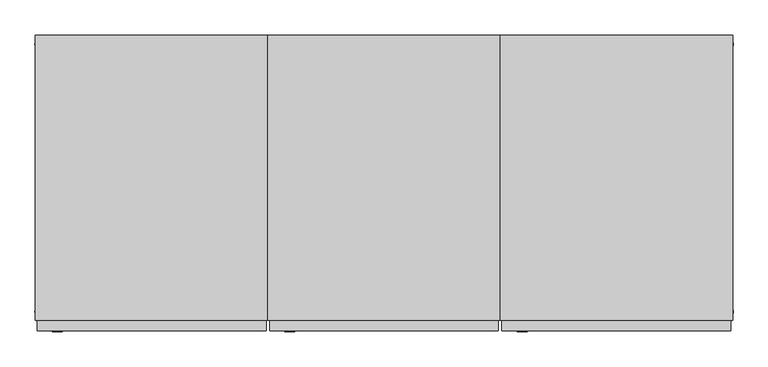
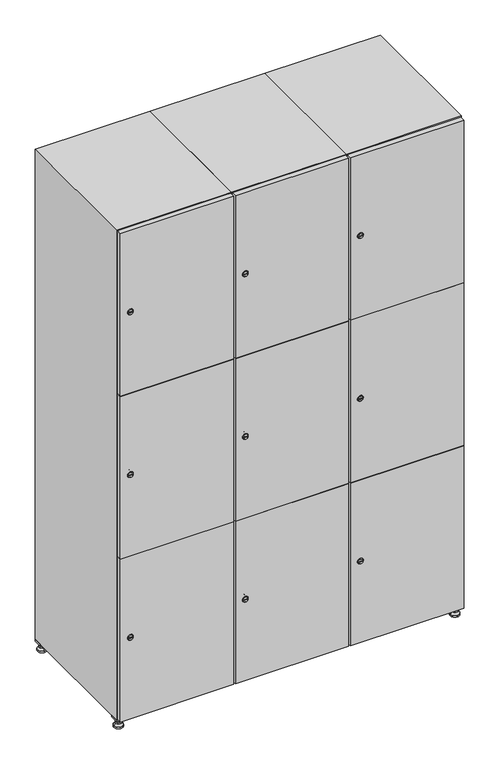
"""IFC4 building model written with IfcOpenShell, lengths in millimetres: furniture geometry."""

from ifc_helpers import new_model, si_unit, point, frame, frame_2d, origin, origin_with_axes, place, context, project, spatial, polyline, circle_curve, trimmed, segment, composite_curve, outline, extrude, faceted_brep, source, transform, mapped, element, save
from ifc_brep_helpers import plane_surface, revolved_surface, advanced_brep


def furniture_08756a5b(model_context):
    return source(origin(), model_context, "Body", "SolidModel", [
        extrude(outline(polyline([(1000.0, 245.0), (1000.0, 215.0), (970.0, 215.0), (970.0, 245.0), (1000.0, 245.0)]), holes=[polyline([(998.0, 243.0), (972.0, 243.0), (972.0, 217.0), (998.0, 217.0), (998.0, 243.0)])]), frame((0.0, 0.0, 28.5), z_axis=(0.0, 0.0, 1.0), x_axis=(1.0, 0.0, 0.0)), (0.0, 0.0, 1.0), 6.5),
        extrude(outline(polyline([(970.0, -245.0), (970.0, -215.0), (1000.0, -215.0), (1000.0, -245.0), (970.0, -245.0)]), holes=[polyline([(972.0, -243.0), (998.0, -243.0), (998.0, -217.0), (972.0, -217.0), (972.0, -243.0)])]), frame((0.0, 0.0, 28.5), z_axis=(0.0, 0.0, 1.0), x_axis=(1.0, 0.0, 0.0)), (0.0, 0.0, 1.0), 6.5),
        extrude(outline(polyline([(-170.0, 245.0), (-170.0, 215.0), (-200.0, 215.0), (-200.0, 245.0), (-170.0, 245.0)]), holes=[polyline([(-172.0, 243.0), (-198.0, 243.0), (-198.0, 217.0), (-172.0, 217.0), (-172.0, 243.0)])]), frame((0.0, 0.0, 28.5), z_axis=(0.0, 0.0, 1.0), x_axis=(1.0, 0.0, 0.0)), (0.0, 0.0, 1.0), 6.5),
        extrude(outline(polyline([(-170.0, -215.0), (-170.0, -245.0), (-200.0, -245.0), (-200.0, -215.0), (-170.0, -215.0)]), holes=[polyline([(-198.0, -243.0), (-172.0, -243.0), (-172.0, -217.0), (-198.0, -217.0), (-198.0, -243.0)])]), frame((0.0, 0.0, 28.5), z_axis=(0.0, 0.0, 1.0), x_axis=(1.0, 0.0, 0.0)), (0.0, 0.0, 1.0), 6.5),
        extrude(outline(composite_curve([segment(trimmed(circle_curve(frame_2d((-185.0, 230.0)), 5.0), [point((-180.0, 230.0))], [point((-190.0, 230.0))], False, "CARTESIAN"), True, "CONTINUOUS"), segment(trimmed(circle_curve(frame_2d((-185.0, 230.0)), 5.0), [point((-190.0, 230.0))], [point((-180.0, 230.0))], False, "CARTESIAN"), True, "CONTINUOUS")], self_intersect=False)), frame((0.0, 0.0, 19.6), z_axis=(0.0, 0.0, 1.0), x_axis=(1.0, 0.0, 0.0)), (0.0, 0.0, 1.0), 15.4),
        extrude(outline(composite_curve([segment(trimmed(circle_curve(frame_2d((-185.0, -230.0)), 5.0), [point((-180.0, -230.0))], [point((-190.0, -230.0))], False, "CARTESIAN"), True, "CONTINUOUS"), segment(trimmed(circle_curve(frame_2d((-185.0, -230.0)), 5.0), [point((-190.0, -230.0))], [point((-180.0, -230.0))], False, "CARTESIAN"), True, "CONTINUOUS")], self_intersect=False)), frame((0.0, 0.0, 19.6), z_axis=(0.0, 0.0, 1.0), x_axis=(1.0, 0.0, 0.0)), (0.0, 0.0, 1.0), 15.4),
        extrude(outline(composite_curve([segment(trimmed(circle_curve(frame_2d((985.0, 230.0)), 5.0), [point((990.0, 230.0))], [point((980.0, 230.0))], False, "CARTESIAN"), True, "CONTINUOUS"), segment(trimmed(circle_curve(frame_2d((985.0, 230.0)), 5.0), [point((980.0, 230.0))], [point((990.0, 230.0))], False, "CARTESIAN"), True, "CONTINUOUS")], self_intersect=False)), frame((0.0, 0.0, 19.6), z_axis=(0.0, 0.0, 1.0), x_axis=(1.0, 0.0, 0.0)), (0.0, 0.0, 1.0), 15.4),
        extrude(outline(polyline([(973.4529946, 230.0), (979.2264973, 240.0), (990.7735027, 240.0), (996.5470054, 230.0), (990.7735027, 220.0), (979.2264973, 220.0), (973.4529946, 230.0)])), frame((0.0, 0.0, 13.6), z_axis=(0.0, 0.0, 1.0), x_axis=(1.0, 0.0, 0.0)), (0.0, 0.0, 1.0), 6.0),
        extrude(outline(composite_curve([segment(trimmed(circle_curve(frame_2d((985.0, -230.0)), 5.0), [point((990.0, -230.0))], [point((980.0, -230.0))], False, "CARTESIAN"), True, "CONTINUOUS"), segment(trimmed(circle_curve(frame_2d((985.0, -230.0)), 5.0), [point((980.0, -230.0))], [point((990.0, -230.0))], False, "CARTESIAN"), True, "CONTINUOUS")], self_intersect=False)), frame((0.0, 0.0, 19.6), z_axis=(0.0, 0.0, 1.0), x_axis=(1.0, 0.0, 0.0)), (0.0, 0.0, 1.0), 15.4),
        extrude(outline(polyline([(973.4529946, -230.0), (979.2264973, -220.0), (990.7735027, -220.0), (996.5470054, -230.0), (990.7735027, -240.0), (979.2264973, -240.0), (973.4529946, -230.0)])), frame((0.0, 0.0, 13.6), z_axis=(0.0, 0.0, 1.0), x_axis=(1.0, 0.0, 0.0)), (0.0, 0.0, 1.0), 6.0),
        extrude(outline(composite_curve([segment(trimmed(circle_curve(frame_2d((985.0, 230.0)), 5.0), [point((990.0, 230.0))], [point((980.0, 230.0))], False, "CARTESIAN"), True, "CONTINUOUS"), segment(trimmed(circle_curve(frame_2d((985.0, 230.0)), 5.0), [point((980.0, 230.0))], [point((990.0, 230.0))], False, "CARTESIAN"), True, "CONTINUOUS")], self_intersect=False)), frame((0.0, 0.0, 12.1), z_axis=(0.0, 0.0, 1.0), x_axis=(1.0, 0.0, 0.0)), (0.0, 0.0, 1.0), 1.5),
        extrude(outline(composite_curve([segment(trimmed(circle_curve(frame_2d((985.0, -230.0)), 5.0), [point((990.0, -230.0))], [point((980.0, -230.0))], False, "CARTESIAN"), True, "CONTINUOUS"), segment(trimmed(circle_curve(frame_2d((985.0, -230.0)), 5.0), [point((980.0, -230.0))], [point((990.0, -230.0))], False, "CARTESIAN"), True, "CONTINUOUS")], self_intersect=False)), frame((0.0, 0.0, 12.1), z_axis=(0.0, 0.0, 1.0), x_axis=(1.0, 0.0, 0.0)), (0.0, 0.0, 1.0), 1.5),
        extrude(outline(polyline([(-196.5470054, 230.0), (-190.7735027, 240.0), (-179.2264973, 240.0), (-173.4529946, 230.0), (-179.2264973, 220.0), (-190.7735027, 220.0), (-196.5470054, 230.0)])), frame((0.0, 0.0, 13.6), z_axis=(0.0, 0.0, 1.0), x_axis=(1.0, 0.0, 0.0)), (0.0, 0.0, 1.0), 6.0),
        extrude(outline(polyline([(-196.5470054, -230.0), (-190.7735027, -220.0), (-179.2264973, -220.0), (-173.4529946, -230.0), (-179.2264973, -240.0), (-190.7735027, -240.0), (-196.5470054, -230.0)])), frame((0.0, 0.0, 13.6), z_axis=(0.0, 0.0, 1.0), x_axis=(1.0, 0.0, 0.0)), (0.0, 0.0, 1.0), 6.0),
        extrude(outline(composite_curve([segment(trimmed(circle_curve(frame_2d((-185.0, 230.0)), 5.0), [point((-185.0, 235.0))], [point((-185.0, 225.0))], False, "CARTESIAN"), True, "CONTINUOUS"), segment(trimmed(circle_curve(frame_2d((-185.0, 230.0)), 5.0), [point((-185.0, 225.0))], [point((-185.0, 235.0))], False, "CARTESIAN"), True, "CONTINUOUS")], self_intersect=False)), frame((0.0, 0.0, 12.1), z_axis=(0.0, 0.0, 1.0), x_axis=(1.0, 0.0, 0.0)), (0.0, 0.0, 1.0), 1.5),
        extrude(outline(composite_curve([segment(trimmed(circle_curve(frame_2d((-185.0, -230.0)), 5.0), [point((-180.0, -230.0))], [point((-190.0, -230.0))], False, "CARTESIAN"), True, "CONTINUOUS"), segment(trimmed(circle_curve(frame_2d((-185.0, -230.0)), 5.0), [point((-190.0, -230.0))], [point((-180.0, -230.0))], False, "CARTESIAN"), True, "CONTINUOUS")], self_intersect=False)), frame((0.0, 0.0, 12.1), z_axis=(0.0, 0.0, 1.0), x_axis=(1.0, 0.0, 0.0)), (0.0, 0.0, 1.0), 1.5),
        extrude(outline(composite_curve([segment(trimmed(circle_curve(frame_2d((985.0, 230.0)), 15.75), [point((1000.75, 230.0))], [point((969.25, 230.0))], False, "CARTESIAN"), True, "CONTINUOUS"), segment(trimmed(circle_curve(frame_2d((985.0, 230.0)), 15.75), [point((969.25, 230.0))], [point((1000.75, 230.0))], False, "CARTESIAN"), True, "CONTINUOUS")], self_intersect=False)), origin_with_axes(), (0.0, 0.0, 1.0), 5.1),
        extrude(outline(composite_curve([segment(trimmed(circle_curve(frame_2d((985.0, -230.0)), 15.75), [point((985.0, -214.25))], [point((985.0, -245.75))], False, "CARTESIAN"), True, "CONTINUOUS"), segment(trimmed(circle_curve(frame_2d((985.0, -230.0)), 15.75), [point((985.0, -245.75))], [point((985.0, -214.25))], False, "CARTESIAN"), True, "CONTINUOUS")], self_intersect=False)), origin_with_axes(), (0.0, 0.0, 1.0), 5.1),
        extrude(outline(composite_curve([segment(trimmed(circle_curve(frame_2d((-185.0, -230.0)), 15.75), [point((-169.25, -230.0))], [point((-200.75, -230.0))], False, "CARTESIAN"), True, "CONTINUOUS"), segment(trimmed(circle_curve(frame_2d((-185.0, -230.0)), 15.75), [point((-200.75, -230.0))], [point((-169.25, -230.0))], False, "CARTESIAN"), True, "CONTINUOUS")], self_intersect=False)), origin_with_axes(), (0.0, 0.0, 1.0), 5.1),
        extrude(outline(composite_curve([segment(trimmed(circle_curve(frame_2d((-185.0, 230.0)), 15.75), [point((-169.25, 230.0))], [point((-200.75, 230.0))], False, "CARTESIAN"), True, "CONTINUOUS"), segment(trimmed(circle_curve(frame_2d((-185.0, 230.0)), 15.75), [point((-200.75, 230.0))], [point((-169.25, 230.0))], False, "CARTESIAN"), True, "CONTINUOUS")], self_intersect=False)), origin_with_axes(), (0.0, 0.0, 1.0), 5.1),
        advanced_brep(
        [(-185.0, 239.5, 12.1), (-185.0, 220.5, 12.1), (-185.0, 214.25, 5.1), (-185.0, 245.75, 5.1)],
        [
            (0, 1, circle_curve(frame((-185.0, 230.0, 12.1), z_axis=(0.0, 0.0, -1.0), x_axis=(0.0, 1.0, 0.0)), 9.5)),
            (1, 2),
            (2, 3, circle_curve(frame((-185.0, 230.0, 5.1), z_axis=(0.0, 0.0, 1.0), x_axis=(0.0, 1.0, 0.0)), 15.75)),
            (3, 0),
            (1, 0, circle_curve(frame((-185.0, 230.0, 12.1), z_axis=(0.0, 0.0, -1.0), x_axis=(0.0, -1.0, 0.0)), 9.5)),
            (3, 2, circle_curve(frame((-185.0, 230.0, 5.1), z_axis=(0.0, 0.0, 1.0), x_axis=(0.0, -1.0, 0.0)), 15.75)),
        ],
        [
            revolved_surface(polyline([(-185.0, 220.5, 12.099999999999998), (-185.0, 214.25, 5.099999999999998)]), (-185.0, 230.0, 22.74), (0.0, 0.0, -1.0)),
            revolved_surface(polyline([(-185.0, 239.5, 12.099999999999998), (-185.0, 245.75, 5.099999999999998)]), (-185.0, 230.0, 22.74), (0.0, 0.0, -1.0)),
            plane_surface(frame((-185.0, 230.0, 5.1), z_axis=(0.0, 0.0, -1.0), x_axis=(1.0, 0.0, 0.0))),
            plane_surface(frame((-185.0, 230.0, 12.1), z_axis=(0.0, 0.0, 1.0), x_axis=(1.0, 0.0, 0.0))),
        ],
        [
            (0, [[1, 2, 3, 4]]),
            (1, [[5, -4, 6, -2]]),
            (2, [[-3, -6]]),
            (3, [[-5, -1]]),
        ],
    ),
        advanced_brep(
        [(985.0, 239.5, 12.1), (985.0, 220.5, 12.1), (985.0, 214.25, 5.1), (985.0, 245.75, 5.1)],
        [
            (0, 1, circle_curve(frame((985.0, 230.0, 12.1), z_axis=(0.0, 0.0, -1.0), x_axis=(0.0, 1.0, 0.0)), 9.5)),
            (1, 2),
            (2, 3, circle_curve(frame((985.0, 230.0, 5.1), z_axis=(0.0, 0.0, 1.0), x_axis=(0.0, 1.0, 0.0)), 15.75)),
            (3, 0),
            (1, 0, circle_curve(frame((985.0, 230.0, 12.1), z_axis=(0.0, 0.0, -1.0), x_axis=(0.0, -1.0, 0.0)), 9.5)),
            (3, 2, circle_curve(frame((985.0, 230.0, 5.1), z_axis=(0.0, 0.0, 1.0), x_axis=(0.0, -1.0, 0.0)), 15.75)),
        ],
        [
            revolved_surface(polyline([(985.0, 220.5, 12.099999999999998), (985.0, 214.25, 5.099999999999998)]), (985.0, 230.0, 22.74), (0.0, 0.0, -1.0)),
            revolved_surface(polyline([(985.0, 239.5, 12.099999999999998), (985.0, 245.75, 5.099999999999998)]), (985.0, 230.0, 22.74), (0.0, 0.0, -1.0)),
            plane_surface(frame((985.0, 230.0, 5.1), z_axis=(0.0, 0.0, -1.0), x_axis=(1.0, 0.0, 0.0))),
            plane_surface(frame((985.0, 230.0, 12.1), z_axis=(0.0, 0.0, 1.0), x_axis=(1.0, 0.0, 0.0))),
        ],
        [
            (0, [[1, 2, 3, 4]]),
            (1, [[5, -4, 6, -2]]),
            (2, [[-3, -6]]),
            (3, [[-5, -1]]),
        ],
    ),
        advanced_brep(
        [(1000.75, -230.0, 5.1), (969.25, -230.0, 5.1), (975.5, -230.0, 12.1), (994.5, -230.0, 12.1)],
        [
            (0, 1, circle_curve(frame((985.0, -230.0, 5.1), z_axis=(0.0, 0.0, 1.0), x_axis=(1.0, 0.0, 0.0)), 15.75)),
            (1, 2),
            (2, 3, circle_curve(frame((985.0, -230.0, 12.1), z_axis=(0.0, 0.0, -1.0), x_axis=(1.0, 0.0, 0.0)), 9.5)),
            (3, 0),
            (1, 0, circle_curve(frame((985.0, -230.0, 5.1), z_axis=(0.0, 0.0, 1.0), x_axis=(-1.0, 0.0, 0.0)), 15.75)),
            (3, 2, circle_curve(frame((985.0, -230.0, 12.1), z_axis=(0.0, 0.0, -1.0), x_axis=(-1.0, 0.0, 0.0)), 9.5)),
        ],
        [
            revolved_surface(polyline([(994.5, -230.0, 12.099999999999998), (1000.75, -230.0, 5.099999999999998)]), (985.0, -230.0, 22.74), (0.0, 0.0, -1.0)),
            revolved_surface(polyline([(975.5, -230.0, 12.099999999999998), (969.25, -230.0, 5.099999999999998)]), (985.0, -230.0, 22.74), (0.0, 0.0, -1.0)),
            plane_surface(frame((985.0, -230.0, 12.1), z_axis=(0.0, 0.0, 1.0), x_axis=(0.0, 1.0, 0.0))),
            plane_surface(frame((985.0, -230.0, 5.1), z_axis=(0.0, 0.0, -1.0), x_axis=(0.0, 1.0, 0.0))),
        ],
        [
            (0, [[1, 2, 3, 4]]),
            (1, [[5, -4, 6, -2]]),
            (2, [[-3, -6]]),
            (3, [[-5, -1]]),
        ],
    ),
        advanced_brep(
        [(-169.25, -230.0, 5.1), (-200.75, -230.0, 5.1), (-194.5, -230.0, 12.1), (-175.5, -230.0, 12.1)],
        [
            (0, 1, circle_curve(frame((-185.0, -230.0, 5.1), z_axis=(0.0, 0.0, 1.0), x_axis=(1.0, 0.0, 0.0)), 15.75)),
            (1, 2),
            (2, 3, circle_curve(frame((-185.0, -230.0, 12.1), z_axis=(0.0, 0.0, -1.0), x_axis=(1.0, 0.0, 0.0)), 9.5)),
            (3, 0),
            (1, 0, circle_curve(frame((-185.0, -230.0, 5.1), z_axis=(0.0, 0.0, 1.0), x_axis=(-1.0, 0.0, 0.0)), 15.75)),
            (3, 2, circle_curve(frame((-185.0, -230.0, 12.1), z_axis=(0.0, 0.0, -1.0), x_axis=(-1.0, 0.0, 0.0)), 9.5)),
        ],
        [
            revolved_surface(polyline([(-175.5, -230.0, 12.099999999999998), (-169.25, -230.0, 5.099999999999998)]), (-185.0, -230.0, 22.74), (0.0, 0.0, -1.0)),
            revolved_surface(polyline([(-194.5, -230.0, 12.099999999999998), (-200.75, -230.0, 5.099999999999998)]), (-185.0, -230.0, 22.74), (0.0, 0.0, -1.0)),
            plane_surface(frame((-185.0, -230.0, 12.1), z_axis=(0.0, 0.0, 1.0), x_axis=(0.0, 1.0, 0.0))),
            plane_surface(frame((-185.0, -230.0, 5.1), z_axis=(0.0, 0.0, -1.0), x_axis=(0.0, 1.0, 0.0))),
        ],
        [
            (0, [[1, 2, 3, 4]]),
            (1, [[5, -4, 6, -2]]),
            (2, [[-3, -6]]),
            (3, [[-5, -1]]),
        ],
    ),
        extrude(outline(composite_curve([segment(trimmed(circle_curve(frame_2d((337.0, 611.2010534)), 7.0), [point((344.0, 611.2010534))], [point((330.0, 611.2010534))], False, "CARTESIAN"), True, "CONTINUOUS"), segment(polyline([(330.0, 611.2010534), (330.0, 639.2010534)]), True, "CONTINUOUS"), segment(trimmed(circle_curve(frame_2d((337.0, 639.2010534)), 7.0), [point((330.0, 639.2010534))], [point((344.0, 639.2010534))], False, "CARTESIAN"), True, "CONTINUOUS"), segment(polyline([(344.0, 639.2010534), (344.0, 611.2010534)]), True, "CONTINUOUS")], self_intersect=False)), frame((0.0, -245.0, 0.0), z_axis=(0.0, 1.0, 0.0), x_axis=(0.0, 0.0, 1.0)), (0.0, 0.0, 1.0), 2.0),
        advanced_brep(
        [(646.5, -265.2, 337.0), (629.5, -265.2, 337.0), (633.0, -265.2, 335.75), (633.0, -265.2, 338.25), (643.0, -265.2, 338.25), (643.0, -265.2, 335.75), (648.5, -263.0, 337.0), (627.5, -263.0, 337.0), (633.0, -263.0, 338.25), (633.0, -263.0, 335.75), (643.0, -263.0, 335.75), (643.0, -263.0, 338.25)],
        [
            (0, 1, circle_curve(frame((638.0, -265.2, 337.0), z_axis=(0.0, -1.0, 0.0), x_axis=(1.0, 0.0, 0.0)), 8.5)),
            (1, 0, circle_curve(frame((638.0, -265.2, 337.0), z_axis=(0.0, -1.0, 0.0), x_axis=(-1.0, 0.0, 0.0)), 8.5)),
            (2, 3),
            (3, 4),
            (4, 5),
            (5, 2),
            (6, 7, circle_curve(frame((638.0, -263.0, 337.0), z_axis=(0.0, 1.0, 0.0), x_axis=(-1.0, 0.0, 0.0)), 10.5)),
            (7, 6, circle_curve(frame((638.0, -263.0, 337.0), z_axis=(0.0, 1.0, 0.0), x_axis=(1.0, 0.0, 0.0)), 10.5)),
            (8, 9),
            (9, 10),
            (10, 11),
            (11, 8),
            (0, 6),
            (7, 1),
            (8, 3),
            (2, 9),
            (11, 4),
            (10, 5),
        ],
        [
            plane_surface(frame((638.0, -265.2, 337.0), z_axis=(0.0, -1.0, 0.0), x_axis=(0.0, 0.0, 1.0))),
            plane_surface(frame((638.0, -263.0, 337.0), z_axis=(0.0, 1.0, 0.0), x_axis=(0.0, 0.0, 1.0))),
            revolved_surface(polyline([(646.5, -265.2, 337.0), (648.5, -263.0, 337.0)]), (638.0, -274.55, 337.0), (0.0, 1.0, 0.0)),
            revolved_surface(polyline([(629.5, -265.2, 337.0), (627.5, -263.0, 337.0)]), (638.0, -274.55, 337.0), (0.0, 1.0, 0.0)),
            plane_surface(frame((633.0, -263.0, 335.75), z_axis=(1.0, 0.0, 0.0), x_axis=(0.0, -1.0, 0.0))),
            plane_surface(frame((633.0, -263.0, 338.25), z_axis=(0.0, 0.0, -1.0), x_axis=(0.0, -1.0, 0.0))),
            plane_surface(frame((643.0, -263.0, 338.25), z_axis=(-1.0, 0.0, 0.0), x_axis=(0.0, -1.0, 0.0))),
            plane_surface(frame((643.0, -263.0, 335.75), z_axis=(0.0, 0.0, 1.0), x_axis=(0.0, -1.0, 0.0))),
        ],
        [
            (0, [[1, 2], [3, 4, 5, 6]]),
            (1, [[7, 8], [9, 10, 11, 12]]),
            (2, [[-1, 13, -8, 14]]),
            (3, [[-2, -14, -7, -13]]),
            (4, [[15, -3, 16, -9]]),
            (5, [[-15, -12, 17, -4]]),
            (6, [[-17, -11, 18, -5]]),
            (7, [[-16, -6, -18, -10]]),
        ],
    ),
        extrude(outline(composite_curve([segment(trimmed(circle_curve(frame_2d((935.0, 611.2010534)), 7.0), [point((942.0, 611.2010534))], [point((928.0, 611.2010534))], False, "CARTESIAN"), True, "CONTINUOUS"), segment(polyline([(928.0, 611.2010534), (928.0, 639.2010534)]), True, "CONTINUOUS"), segment(trimmed(circle_curve(frame_2d((935.0, 639.2010534)), 7.0), [point((928.0, 639.2010534))], [point((942.0, 639.2010534))], False, "CARTESIAN"), True, "CONTINUOUS"), segment(polyline([(942.0, 639.2010534), (942.0, 611.2010534)]), True, "CONTINUOUS")], self_intersect=False)), frame((0.0, -245.0, 0.0), z_axis=(0.0, 1.0, 0.0), x_axis=(0.0, 0.0, 1.0)), (0.0, 0.0, 1.0), 2.0),
        advanced_brep(
        [(646.5, -265.2, 935.0), (629.5, -265.2, 935.0), (633.0, -265.2, 933.75), (633.0, -265.2, 936.25), (643.0, -265.2, 936.25), (643.0, -265.2, 933.75), (648.5, -263.0, 935.0), (627.5, -263.0, 935.0), (633.0, -263.0, 936.25), (633.0, -263.0, 933.75), (643.0, -263.0, 933.75), (643.0, -263.0, 936.25)],
        [
            (0, 1, circle_curve(frame((638.0, -265.2, 935.0), z_axis=(0.0, -1.0, 0.0), x_axis=(1.0, 0.0, 0.0)), 8.5)),
            (1, 0, circle_curve(frame((638.0, -265.2, 935.0), z_axis=(0.0, -1.0, 0.0), x_axis=(-1.0, 0.0, 0.0)), 8.5)),
            (2, 3),
            (3, 4),
            (4, 5),
            (5, 2),
            (6, 7, circle_curve(frame((638.0, -263.0, 935.0), z_axis=(0.0, 1.0, 0.0), x_axis=(-1.0, 0.0, 0.0)), 10.5)),
            (7, 6, circle_curve(frame((638.0, -263.0, 935.0), z_axis=(0.0, 1.0, 0.0), x_axis=(1.0, 0.0, 0.0)), 10.5)),
            (8, 9),
            (9, 10),
            (10, 11),
            (11, 8),
            (0, 6),
            (7, 1),
            (8, 3),
            (2, 9),
            (11, 4),
            (10, 5),
        ],
        [
            plane_surface(frame((638.0, -265.2, 935.0), z_axis=(0.0, -1.0, 0.0), x_axis=(0.0, 0.0, 1.0))),
            plane_surface(frame((638.0, -263.0, 935.0), z_axis=(0.0, 1.0, 0.0), x_axis=(0.0, 0.0, 1.0))),
            revolved_surface(polyline([(646.5, -265.2, 935.0), (648.5, -263.0, 935.0)]), (638.0, -274.55, 935.0), (0.0, 1.0, 0.0)),
            revolved_surface(polyline([(629.5, -265.2, 935.0), (627.5, -263.0, 935.0)]), (638.0, -274.55, 935.0), (0.0, 1.0, 0.0)),
            plane_surface(frame((633.0, -263.0, 933.75), z_axis=(1.0, 0.0, 0.0), x_axis=(0.0, -1.0, 0.0))),
            plane_surface(frame((633.0, -263.0, 936.25), z_axis=(0.0, 0.0, -1.0), x_axis=(0.0, -1.0, 0.0))),
            plane_surface(frame((643.0, -263.0, 936.25), z_axis=(-1.0, 0.0, 0.0), x_axis=(0.0, -1.0, 0.0))),
            plane_surface(frame((643.0, -263.0, 933.75), z_axis=(0.0, 0.0, 1.0), x_axis=(0.0, -1.0, 0.0))),
        ],
        [
            (0, [[1, 2], [3, 4, 5, 6]]),
            (1, [[7, 8], [9, 10, 11, 12]]),
            (2, [[-1, 13, -8, 14]]),
            (3, [[-2, -14, -7, -13]]),
            (4, [[15, -3, 16, -9]]),
            (5, [[-15, -12, 17, -4]]),
            (6, [[-17, -11, 18, -5]]),
            (7, [[-16, -6, -18, -10]]),
        ],
    ),
        extrude(outline(composite_curve([segment(trimmed(circle_curve(frame_2d((1533.0, 611.2010534)), 7.0), [point((1540.0, 611.2010534))], [point((1526.0, 611.2010534))], False, "CARTESIAN"), True, "CONTINUOUS"), segment(polyline([(1526.0, 611.2010534), (1526.0, 639.2010534)]), True, "CONTINUOUS"), segment(trimmed(circle_curve(frame_2d((1533.0, 639.2010534)), 7.0), [point((1526.0, 639.2010534))], [point((1540.0, 639.2010534))], False, "CARTESIAN"), True, "CONTINUOUS"), segment(polyline([(1540.0, 639.2010534), (1540.0, 611.2010534)]), True, "CONTINUOUS")], self_intersect=False)), frame((0.0, -245.0, 0.0), z_axis=(0.0, 1.0, 0.0), x_axis=(0.0, 0.0, 1.0)), (0.0, 0.0, 1.0), 2.0),
        advanced_brep(
        [(646.5, -265.2, 1533.0), (629.5, -265.2, 1533.0), (633.0, -265.2, 1531.75), (633.0, -265.2, 1534.25), (643.0, -265.2, 1534.25), (643.0, -265.2, 1531.75), (648.5, -263.0, 1533.0), (627.5, -263.0, 1533.0), (633.0, -263.0, 1534.25), (633.0, -263.0, 1531.75), (643.0, -263.0, 1531.75), (643.0, -263.0, 1534.25)],
        [
            (0, 1, circle_curve(frame((638.0, -265.2, 1533.0), z_axis=(0.0, -1.0, 0.0), x_axis=(1.0, 0.0, 0.0)), 8.5)),
            (1, 0, circle_curve(frame((638.0, -265.2, 1533.0), z_axis=(0.0, -1.0, 0.0), x_axis=(-1.0, 0.0, 0.0)), 8.5)),
            (2, 3),
            (3, 4),
            (4, 5),
            (5, 2),
            (6, 7, circle_curve(frame((638.0, -263.0, 1533.0), z_axis=(0.0, 1.0, 0.0), x_axis=(-1.0, 0.0, 0.0)), 10.5)),
            (7, 6, circle_curve(frame((638.0, -263.0, 1533.0), z_axis=(0.0, 1.0, 0.0), x_axis=(1.0, 0.0, 0.0)), 10.5)),
            (8, 9),
            (9, 10),
            (10, 11),
            (11, 8),
            (0, 6),
            (7, 1),
            (8, 3),
            (2, 9),
            (11, 4),
            (10, 5),
        ],
        [
            plane_surface(frame((638.0, -265.2, 1533.0), z_axis=(0.0, -1.0, 0.0), x_axis=(0.0, 0.0, 1.0))),
            plane_surface(frame((638.0, -263.0, 1533.0), z_axis=(0.0, 1.0, 0.0), x_axis=(0.0, 0.0, 1.0))),
            revolved_surface(polyline([(646.5, -265.2, 1533.0), (648.5, -263.0, 1533.0)]), (638.0, -274.55, 1533.0), (0.0, 1.0, 0.0)),
            revolved_surface(polyline([(629.5, -265.2, 1533.0), (627.5, -263.0, 1533.0)]), (638.0, -274.55, 1533.0), (0.0, 1.0, 0.0)),
            plane_surface(frame((633.0, -263.0, 1531.75), z_axis=(1.0, 0.0, 0.0), x_axis=(0.0, -1.0, 0.0))),
            plane_surface(frame((633.0, -263.0, 1534.25), z_axis=(0.0, 0.0, -1.0), x_axis=(0.0, -1.0, 0.0))),
            plane_surface(frame((643.0, -263.0, 1534.25), z_axis=(-1.0, 0.0, 0.0), x_axis=(0.0, -1.0, 0.0))),
            plane_surface(frame((643.0, -263.0, 1531.75), z_axis=(0.0, 0.0, 1.0), x_axis=(0.0, -1.0, 0.0))),
        ],
        [
            (0, [[1, 2], [3, 4, 5, 6]]),
            (1, [[7, 8], [9, 10, 11, 12]]),
            (2, [[-1, 13, -8, 14]]),
            (3, [[-2, -14, -7, -13]]),
            (4, [[15, -3, 16, -9]]),
            (5, [[-15, -12, 17, -4]]),
            (6, [[-17, -11, 18, -5]]),
            (7, [[-16, -6, -18, -10]]),
        ],
    ),
        extrude(outline(polyline([(997.0, -245.0), (997.0, -263.0), (603.0, -263.0), (603.0, -245.0), (997.0, -245.0)])), frame((0.0, 0.0, 636.5), z_axis=(0.0, 0.0, 1.0), x_axis=(1.0, 0.0, 0.0)), (0.0, 0.0, 1.0), 597.0),
        extrude(outline(polyline([(603.0, -263.0), (603.0, -245.0), (997.0, -245.0), (997.0, -263.0), (603.0, -263.0)])), frame((0.0, 0.0, 1234.5), z_axis=(0.0, 0.0, 1.0), x_axis=(1.0, 0.0, 0.0)), (0.0, 0.0, 1.0), 597.5),
        extrude(outline(polyline([(997.0, -245.0), (997.0, -263.0), (603.0, -263.0), (603.0, -245.0), (997.0, -245.0)])), frame((0.0, 0.0, 38.0), z_axis=(0.0, 0.0, 1.0), x_axis=(1.0, 0.0, 0.0)), (0.0, 0.0, 1.0), 597.5),
        extrude(outline(polyline([(979.6, 242.0), (979.6, -227.0), (620.4, -227.0), (620.4, 242.0), (979.6, 242.0)])), frame((0.0, 0.0, 1214.7333333), z_axis=(0.0, 0.0, 1.0), x_axis=(1.0, 0.0, 0.0)), (0.0, 0.0, 1.0), 20.4),
        extrude(outline(polyline([(620.4, 242.0), (979.6, 242.0), (979.6, -227.0), (620.4, -227.0), (620.4, 242.0)])), frame((0.0, 0.0, 634.8666667), z_axis=(0.0, 0.0, 1.0), x_axis=(1.0, 0.0, 0.0)), (0.0, 0.0, 1.0), 20.4),
        faceted_brep([(1000.0, -245.0, 35.0), (1000.0, -245.0, 1835.0), (600.0, -245.0, 1835.0), (600.0, -245.0, 35.0), (979.6, -245.0, 1804.8), (979.6, -245.0, 65.2), (620.4, -245.0, 65.2), (620.4, -245.0, 1804.8), (1000.0, 245.0, 35.0), (600.0, 245.0, 35.0), (1000.0, 245.0, 1835.0), (600.0, 245.0, 1835.0), (979.6, 242.0, 1804.8), (979.6, 242.0, 65.2), (600.0, 245.0, 1804.8), (620.4, 242.0, 1804.8), (620.4, 242.0, 65.2)], [[[0, 1, 2, 3], [4, 5, 6, 7]], [[8, 0, 3, 9]], [[1, 0, 8, 10]], [[1, 10, 11, 2]], [[4, 12, 13, 5]], [[9, 3, 2, 11, 14]], [[10, 8, 9, 14, 11]], [[12, 15, 16, 13]], [[15, 7, 6, 16]], [[4, 7, 15, 12]], [[6, 5, 13, 16]]]),
        extrude(outline(composite_curve([segment(trimmed(circle_curve(frame_2d((337.0, 211.2010534)), 7.0), [point((344.0, 211.2010534))], [point((330.0, 211.2010534))], False, "CARTESIAN"), True, "CONTINUOUS"), segment(polyline([(330.0, 211.2010534), (330.0, 239.2010534)]), True, "CONTINUOUS"), segment(trimmed(circle_curve(frame_2d((337.0, 239.2010534)), 7.0), [point((330.0, 239.2010534))], [point((344.0, 239.2010534))], False, "CARTESIAN"), True, "CONTINUOUS"), segment(polyline([(344.0, 239.2010534), (344.0, 211.2010534)]), True, "CONTINUOUS")], self_intersect=False)), frame((0.0, -245.0, 0.0), z_axis=(0.0, 1.0, 0.0), x_axis=(0.0, 0.0, 1.0)), (0.0, 0.0, 1.0), 2.0),
        advanced_brep(
        [(246.5, -265.2, 337.0), (229.5, -265.2, 337.0), (233.0, -265.2, 335.75), (233.0, -265.2, 338.25), (243.0, -265.2, 338.25), (243.0, -265.2, 335.75), (248.5, -263.0, 337.0), (227.5, -263.0, 337.0), (233.0, -263.0, 338.25), (233.0, -263.0, 335.75), (243.0, -263.0, 335.75), (243.0, -263.0, 338.25)],
        [
            (0, 1, circle_curve(frame((238.0, -265.2, 337.0), z_axis=(0.0, -1.0, 0.0), x_axis=(1.0, 0.0, 0.0)), 8.5)),
            (1, 0, circle_curve(frame((238.0, -265.2, 337.0), z_axis=(0.0, -1.0, 0.0), x_axis=(-1.0, 0.0, 0.0)), 8.5)),
            (2, 3),
            (3, 4),
            (4, 5),
            (5, 2),
            (6, 7, circle_curve(frame((238.0, -263.0, 337.0), z_axis=(0.0, 1.0, 0.0), x_axis=(-1.0, 0.0, 0.0)), 10.5)),
            (7, 6, circle_curve(frame((238.0, -263.0, 337.0), z_axis=(0.0, 1.0, 0.0), x_axis=(1.0, 0.0, 0.0)), 10.5)),
            (8, 9),
            (9, 10),
            (10, 11),
            (11, 8),
            (0, 6),
            (7, 1),
            (8, 3),
            (2, 9),
            (11, 4),
            (10, 5),
        ],
        [
            plane_surface(frame((238.0, -265.2, 337.0), z_axis=(0.0, -1.0, 0.0), x_axis=(0.0, 0.0, 1.0))),
            plane_surface(frame((238.0, -263.0, 337.0), z_axis=(0.0, 1.0, 0.0), x_axis=(0.0, 0.0, 1.0))),
            revolved_surface(polyline([(246.5, -265.2, 337.0), (248.5, -263.0, 337.0)]), (238.0, -274.55, 337.0), (0.0, 1.0, 0.0)),
            revolved_surface(polyline([(229.5, -265.2, 337.0), (227.5, -263.0, 337.0)]), (238.0, -274.55, 337.0), (0.0, 1.0, 0.0)),
            plane_surface(frame((233.0, -263.0, 335.75), z_axis=(1.0, 0.0, 0.0), x_axis=(0.0, -1.0, 0.0))),
            plane_surface(frame((233.0, -263.0, 338.25), z_axis=(0.0, 0.0, -1.0), x_axis=(0.0, -1.0, 0.0))),
            plane_surface(frame((243.0, -263.0, 338.25), z_axis=(-1.0, 0.0, 0.0), x_axis=(0.0, -1.0, 0.0))),
            plane_surface(frame((243.0, -263.0, 335.75), z_axis=(0.0, 0.0, 1.0), x_axis=(0.0, -1.0, 0.0))),
        ],
        [
            (0, [[1, 2], [3, 4, 5, 6]]),
            (1, [[7, 8], [9, 10, 11, 12]]),
            (2, [[-1, 13, -8, 14]]),
            (3, [[-2, -14, -7, -13]]),
            (4, [[15, -3, 16, -9]]),
            (5, [[-15, -12, 17, -4]]),
            (6, [[-17, -11, 18, -5]]),
            (7, [[-16, -6, -18, -10]]),
        ],
    ),
        extrude(outline(composite_curve([segment(trimmed(circle_curve(frame_2d((935.0, 211.2010534)), 7.0), [point((942.0, 211.2010534))], [point((928.0, 211.2010534))], False, "CARTESIAN"), True, "CONTINUOUS"), segment(polyline([(928.0, 211.2010534), (928.0, 239.2010534)]), True, "CONTINUOUS"), segment(trimmed(circle_curve(frame_2d((935.0, 239.2010534)), 7.0), [point((928.0, 239.2010534))], [point((942.0, 239.2010534))], False, "CARTESIAN"), True, "CONTINUOUS"), segment(polyline([(942.0, 239.2010534), (942.0, 211.2010534)]), True, "CONTINUOUS")], self_intersect=False)), frame((0.0, -245.0, 0.0), z_axis=(0.0, 1.0, 0.0), x_axis=(0.0, 0.0, 1.0)), (0.0, 0.0, 1.0), 2.0),
        advanced_brep(
        [(246.5, -265.2, 935.0), (229.5, -265.2, 935.0), (233.0, -265.2, 933.75), (233.0, -265.2, 936.25), (243.0, -265.2, 936.25), (243.0, -265.2, 933.75), (248.5, -263.0, 935.0), (227.5, -263.0, 935.0), (233.0, -263.0, 936.25), (233.0, -263.0, 933.75), (243.0, -263.0, 933.75), (243.0, -263.0, 936.25)],
        [
            (0, 1, circle_curve(frame((238.0, -265.2, 935.0), z_axis=(0.0, -1.0, 0.0), x_axis=(1.0, 0.0, 0.0)), 8.5)),
            (1, 0, circle_curve(frame((238.0, -265.2, 935.0), z_axis=(0.0, -1.0, 0.0), x_axis=(-1.0, 0.0, 0.0)), 8.5)),
            (2, 3),
            (3, 4),
            (4, 5),
            (5, 2),
            (6, 7, circle_curve(frame((238.0, -263.0, 935.0), z_axis=(0.0, 1.0, 0.0), x_axis=(-1.0, 0.0, 0.0)), 10.5)),
            (7, 6, circle_curve(frame((238.0, -263.0, 935.0), z_axis=(0.0, 1.0, 0.0), x_axis=(1.0, 0.0, 0.0)), 10.5)),
            (8, 9),
            (9, 10),
            (10, 11),
            (11, 8),
            (0, 6),
            (7, 1),
            (8, 3),
            (2, 9),
            (11, 4),
            (10, 5),
        ],
        [
            plane_surface(frame((238.0, -265.2, 935.0), z_axis=(0.0, -1.0, 0.0), x_axis=(0.0, 0.0, 1.0))),
            plane_surface(frame((238.0, -263.0, 935.0), z_axis=(0.0, 1.0, 0.0), x_axis=(0.0, 0.0, 1.0))),
            revolved_surface(polyline([(246.5, -265.2, 935.0), (248.5, -263.0, 935.0)]), (238.0, -274.55, 935.0), (0.0, 1.0, 0.0)),
            revolved_surface(polyline([(229.5, -265.2, 935.0), (227.5, -263.0, 935.0)]), (238.0, -274.55, 935.0), (0.0, 1.0, 0.0)),
            plane_surface(frame((233.0, -263.0, 933.75), z_axis=(1.0, 0.0, 0.0), x_axis=(0.0, -1.0, 0.0))),
            plane_surface(frame((233.0, -263.0, 936.25), z_axis=(0.0, 0.0, -1.0), x_axis=(0.0, -1.0, 0.0))),
            plane_surface(frame((243.0, -263.0, 936.25), z_axis=(-1.0, 0.0, 0.0), x_axis=(0.0, -1.0, 0.0))),
            plane_surface(frame((243.0, -263.0, 933.75), z_axis=(0.0, 0.0, 1.0), x_axis=(0.0, -1.0, 0.0))),
        ],
        [
            (0, [[1, 2], [3, 4, 5, 6]]),
            (1, [[7, 8], [9, 10, 11, 12]]),
            (2, [[-1, 13, -8, 14]]),
            (3, [[-2, -14, -7, -13]]),
            (4, [[15, -3, 16, -9]]),
            (5, [[-15, -12, 17, -4]]),
            (6, [[-17, -11, 18, -5]]),
            (7, [[-16, -6, -18, -10]]),
        ],
    ),
        extrude(outline(composite_curve([segment(trimmed(circle_curve(frame_2d((1533.0, 211.2010534)), 7.0), [point((1540.0, 211.2010534))], [point((1526.0, 211.2010534))], False, "CARTESIAN"), True, "CONTINUOUS"), segment(polyline([(1526.0, 211.2010534), (1526.0, 239.2010534)]), True, "CONTINUOUS"), segment(trimmed(circle_curve(frame_2d((1533.0, 239.2010534)), 7.0), [point((1526.0, 239.2010534))], [point((1540.0, 239.2010534))], False, "CARTESIAN"), True, "CONTINUOUS"), segment(polyline([(1540.0, 239.2010534), (1540.0, 211.2010534)]), True, "CONTINUOUS")], self_intersect=False)), frame((0.0, -245.0, 0.0), z_axis=(0.0, 1.0, 0.0), x_axis=(0.0, 0.0, 1.0)), (0.0, 0.0, 1.0), 2.0),
        advanced_brep(
        [(246.5, -265.2, 1533.0), (229.5, -265.2, 1533.0), (233.0, -265.2, 1531.75), (233.0, -265.2, 1534.25), (243.0, -265.2, 1534.25), (243.0, -265.2, 1531.75), (248.5, -263.0, 1533.0), (227.5, -263.0, 1533.0), (233.0, -263.0, 1534.25), (233.0, -263.0, 1531.75), (243.0, -263.0, 1531.75), (243.0, -263.0, 1534.25)],
        [
            (0, 1, circle_curve(frame((238.0, -265.2, 1533.0), z_axis=(0.0, -1.0, 0.0), x_axis=(1.0, 0.0, 0.0)), 8.5)),
            (1, 0, circle_curve(frame((238.0, -265.2, 1533.0), z_axis=(0.0, -1.0, 0.0), x_axis=(-1.0, 0.0, 0.0)), 8.5)),
            (2, 3),
            (3, 4),
            (4, 5),
            (5, 2),
            (6, 7, circle_curve(frame((238.0, -263.0, 1533.0), z_axis=(0.0, 1.0, 0.0), x_axis=(-1.0, 0.0, 0.0)), 10.5)),
            (7, 6, circle_curve(frame((238.0, -263.0, 1533.0), z_axis=(0.0, 1.0, 0.0), x_axis=(1.0, 0.0, 0.0)), 10.5)),
            (8, 9),
            (9, 10),
            (10, 11),
            (11, 8),
            (0, 6),
            (7, 1),
            (8, 3),
            (2, 9),
            (11, 4),
            (10, 5),
        ],
        [
            plane_surface(frame((238.0, -265.2, 1533.0), z_axis=(0.0, -1.0, 0.0), x_axis=(0.0, 0.0, 1.0))),
            plane_surface(frame((238.0, -263.0, 1533.0), z_axis=(0.0, 1.0, 0.0), x_axis=(0.0, 0.0, 1.0))),
            revolved_surface(polyline([(246.5, -265.2, 1533.0), (248.5, -263.0, 1533.0)]), (238.0, -274.55, 1533.0), (0.0, 1.0, 0.0)),
            revolved_surface(polyline([(229.5, -265.2, 1533.0), (227.5, -263.0, 1533.0)]), (238.0, -274.55, 1533.0), (0.0, 1.0, 0.0)),
            plane_surface(frame((233.0, -263.0, 1531.75), z_axis=(1.0, 0.0, 0.0), x_axis=(0.0, -1.0, 0.0))),
            plane_surface(frame((233.0, -263.0, 1534.25), z_axis=(0.0, 0.0, -1.0), x_axis=(0.0, -1.0, 0.0))),
            plane_surface(frame((243.0, -263.0, 1534.25), z_axis=(-1.0, 0.0, 0.0), x_axis=(0.0, -1.0, 0.0))),
            plane_surface(frame((243.0, -263.0, 1531.75), z_axis=(0.0, 0.0, 1.0), x_axis=(0.0, -1.0, 0.0))),
        ],
        [
            (0, [[1, 2], [3, 4, 5, 6]]),
            (1, [[7, 8], [9, 10, 11, 12]]),
            (2, [[-1, 13, -8, 14]]),
            (3, [[-2, -14, -7, -13]]),
            (4, [[15, -3, 16, -9]]),
            (5, [[-15, -12, 17, -4]]),
            (6, [[-17, -11, 18, -5]]),
            (7, [[-16, -6, -18, -10]]),
        ],
    ),
        extrude(outline(polyline([(597.0, -245.0), (597.0, -263.0), (203.0, -263.0), (203.0, -245.0), (597.0, -245.0)])), frame((0.0, 0.0, 636.5), z_axis=(0.0, 0.0, 1.0), x_axis=(1.0, 0.0, 0.0)), (0.0, 0.0, 1.0), 597.0),
        extrude(outline(polyline([(203.0, -263.0), (203.0, -245.0), (597.0, -245.0), (597.0, -263.0), (203.0, -263.0)])), frame((0.0, 0.0, 1234.5), z_axis=(0.0, 0.0, 1.0), x_axis=(1.0, 0.0, 0.0)), (0.0, 0.0, 1.0), 597.5),
        extrude(outline(polyline([(597.0, -245.0), (597.0, -263.0), (203.0, -263.0), (203.0, -245.0), (597.0, -245.0)])), frame((0.0, 0.0, 38.0), z_axis=(0.0, 0.0, 1.0), x_axis=(1.0, 0.0, 0.0)), (0.0, 0.0, 1.0), 597.5),
        extrude(outline(polyline([(579.6, 242.0), (579.6, -227.0), (220.4, -227.0), (220.4, 242.0), (579.6, 242.0)])), frame((0.0, 0.0, 1214.7333333), z_axis=(0.0, 0.0, 1.0), x_axis=(1.0, 0.0, 0.0)), (0.0, 0.0, 1.0), 20.4),
        extrude(outline(polyline([(220.4, 242.0), (579.6, 242.0), (579.6, -227.0), (220.4, -227.0), (220.4, 242.0)])), frame((0.0, 0.0, 634.8666667), z_axis=(0.0, 0.0, 1.0), x_axis=(1.0, 0.0, 0.0)), (0.0, 0.0, 1.0), 20.4),
        faceted_brep([(600.0, -245.0, 35.0), (600.0, -245.0, 1835.0), (200.0, -245.0, 1835.0), (200.0, -245.0, 35.0), (579.6, -245.0, 1804.8), (579.6, -245.0, 65.2), (220.4, -245.0, 65.2), (220.4, -245.0, 1804.8), (600.0, 245.0, 35.0), (200.0, 245.0, 35.0), (600.0, 245.0, 1835.0), (200.0, 245.0, 1835.0), (579.6, 242.0, 1804.8), (579.6, 242.0, 65.2), (200.0, 245.0, 1804.8), (220.4, 242.0, 1804.8), (220.4, 242.0, 65.2)], [[[0, 1, 2, 3], [4, 5, 6, 7]], [[8, 0, 3, 9]], [[1, 0, 8, 10]], [[1, 10, 11, 2]], [[4, 12, 13, 5]], [[9, 3, 2, 11, 14]], [[10, 8, 9, 14, 11]], [[12, 15, 16, 13]], [[15, 7, 6, 16]], [[4, 7, 15, 12]], [[6, 5, 13, 16]]]),
        extrude(outline(composite_curve([segment(trimmed(circle_curve(frame_2d((337.0, -188.7989466)), 7.0), [point((344.0, -188.7989466))], [point((330.0, -188.7989466))], False, "CARTESIAN"), True, "CONTINUOUS"), segment(polyline([(330.0, -188.7989466), (330.0, -160.7989466)]), True, "CONTINUOUS"), segment(trimmed(circle_curve(frame_2d((337.0, -160.7989466)), 7.0), [point((330.0, -160.7989466))], [point((344.0, -160.7989466))], False, "CARTESIAN"), True, "CONTINUOUS"), segment(polyline([(344.0, -160.7989466), (344.0, -188.7989466)]), True, "CONTINUOUS")], self_intersect=False)), frame((0.0, -245.0, 0.0), z_axis=(0.0, 1.0, 0.0), x_axis=(0.0, 0.0, 1.0)), (0.0, 0.0, 1.0), 2.0),
        advanced_brep(
        [(-153.5, -265.2, 337.0), (-170.5, -265.2, 337.0), (-167.0, -265.2, 335.75), (-167.0, -265.2, 338.25), (-157.0, -265.2, 338.25), (-157.0, -265.2, 335.75), (-151.5, -263.0, 337.0), (-172.5, -263.0, 337.0), (-167.0, -263.0, 338.25), (-167.0, -263.0, 335.75), (-157.0, -263.0, 335.75), (-157.0, -263.0, 338.25)],
        [
            (0, 1, circle_curve(frame((-162.0, -265.2, 337.0), z_axis=(0.0, -1.0, 0.0), x_axis=(1.0, 0.0, 0.0)), 8.5)),
            (1, 0, circle_curve(frame((-162.0, -265.2, 337.0), z_axis=(0.0, -1.0, 0.0), x_axis=(-1.0, 0.0, 0.0)), 8.5)),
            (2, 3),
            (3, 4),
            (4, 5),
            (5, 2),
            (6, 7, circle_curve(frame((-162.0, -263.0, 337.0), z_axis=(0.0, 1.0, 0.0), x_axis=(-1.0, 0.0, 0.0)), 10.5)),
            (7, 6, circle_curve(frame((-162.0, -263.0, 337.0), z_axis=(0.0, 1.0, 0.0), x_axis=(1.0, 0.0, 0.0)), 10.5)),
            (8, 9),
            (9, 10),
            (10, 11),
            (11, 8),
            (0, 6),
            (7, 1),
            (8, 3),
            (2, 9),
            (11, 4),
            (10, 5),
        ],
        [
            plane_surface(frame((-162.0, -265.2, 337.0), z_axis=(0.0, -1.0, 0.0), x_axis=(0.0, 0.0, 1.0))),
            plane_surface(frame((-162.0, -263.0, 337.0), z_axis=(0.0, 1.0, 0.0), x_axis=(0.0, 0.0, 1.0))),
            revolved_surface(polyline([(-153.5, -265.2, 337.0), (-151.5, -263.0, 337.0)]), (-162.0, -274.55, 337.0), (0.0, 1.0, 0.0)),
            revolved_surface(polyline([(-170.5, -265.2, 337.0), (-172.5, -263.0, 337.0)]), (-162.0, -274.55, 337.0), (0.0, 1.0, 0.0)),
            plane_surface(frame((-167.0, -263.0, 335.75), z_axis=(1.0, 0.0, 0.0), x_axis=(0.0, -1.0, 0.0))),
            plane_surface(frame((-167.0, -263.0, 338.25), z_axis=(0.0, 0.0, -1.0), x_axis=(0.0, -1.0, 0.0))),
            plane_surface(frame((-157.0, -263.0, 338.25), z_axis=(-1.0, 0.0, 0.0), x_axis=(0.0, -1.0, 0.0))),
            plane_surface(frame((-157.0, -263.0, 335.75), z_axis=(0.0, 0.0, 1.0), x_axis=(0.0, -1.0, 0.0))),
        ],
        [
            (0, [[1, 2], [3, 4, 5, 6]]),
            (1, [[7, 8], [9, 10, 11, 12]]),
            (2, [[-1, 13, -8, 14]]),
            (3, [[-2, -14, -7, -13]]),
            (4, [[15, -3, 16, -9]]),
            (5, [[-15, -12, 17, -4]]),
            (6, [[-17, -11, 18, -5]]),
            (7, [[-16, -6, -18, -10]]),
        ],
    ),
        extrude(outline(composite_curve([segment(trimmed(circle_curve(frame_2d((935.0, -188.7989466)), 7.0), [point((942.0, -188.7989466))], [point((928.0, -188.7989466))], False, "CARTESIAN"), True, "CONTINUOUS"), segment(polyline([(928.0, -188.7989466), (928.0, -160.7989466)]), True, "CONTINUOUS"), segment(trimmed(circle_curve(frame_2d((935.0, -160.7989466)), 7.0), [point((928.0, -160.7989466))], [point((942.0, -160.7989466))], False, "CARTESIAN"), True, "CONTINUOUS"), segment(polyline([(942.0, -160.7989466), (942.0, -188.7989466)]), True, "CONTINUOUS")], self_intersect=False)), frame((0.0, -245.0, 0.0), z_axis=(0.0, 1.0, 0.0), x_axis=(0.0, 0.0, 1.0)), (0.0, 0.0, 1.0), 2.0),
        advanced_brep(
        [(-153.5, -265.2, 935.0), (-170.5, -265.2, 935.0), (-167.0, -265.2, 933.75), (-167.0, -265.2, 936.25), (-157.0, -265.2, 936.25), (-157.0, -265.2, 933.75), (-151.5, -263.0, 935.0), (-172.5, -263.0, 935.0), (-167.0, -263.0, 936.25), (-167.0, -263.0, 933.75), (-157.0, -263.0, 933.75), (-157.0, -263.0, 936.25)],
        [
            (0, 1, circle_curve(frame((-162.0, -265.2, 935.0), z_axis=(0.0, -1.0, 0.0), x_axis=(1.0, 0.0, 0.0)), 8.5)),
            (1, 0, circle_curve(frame((-162.0, -265.2, 935.0), z_axis=(0.0, -1.0, 0.0), x_axis=(-1.0, 0.0, 0.0)), 8.5)),
            (2, 3),
            (3, 4),
            (4, 5),
            (5, 2),
            (6, 7, circle_curve(frame((-162.0, -263.0, 935.0), z_axis=(0.0, 1.0, 0.0), x_axis=(-1.0, 0.0, 0.0)), 10.5)),
            (7, 6, circle_curve(frame((-162.0, -263.0, 935.0), z_axis=(0.0, 1.0, 0.0), x_axis=(1.0, 0.0, 0.0)), 10.5)),
            (8, 9),
            (9, 10),
            (10, 11),
            (11, 8),
            (0, 6),
            (7, 1),
            (8, 3),
            (2, 9),
            (11, 4),
            (10, 5),
        ],
        [
            plane_surface(frame((-162.0, -265.2, 935.0), z_axis=(0.0, -1.0, 0.0), x_axis=(0.0, 0.0, 1.0))),
            plane_surface(frame((-162.0, -263.0, 935.0), z_axis=(0.0, 1.0, 0.0), x_axis=(0.0, 0.0, 1.0))),
            revolved_surface(polyline([(-153.5, -265.2, 935.0), (-151.5, -263.0, 935.0)]), (-162.0, -274.55, 935.0), (0.0, 1.0, 0.0)),
            revolved_surface(polyline([(-170.5, -265.2, 935.0), (-172.5, -263.0, 935.0)]), (-162.0, -274.55, 935.0), (0.0, 1.0, 0.0)),
            plane_surface(frame((-167.0, -263.0, 933.75), z_axis=(1.0, 0.0, 0.0), x_axis=(0.0, -1.0, 0.0))),
            plane_surface(frame((-167.0, -263.0, 936.25), z_axis=(0.0, 0.0, -1.0), x_axis=(0.0, -1.0, 0.0))),
            plane_surface(frame((-157.0, -263.0, 936.25), z_axis=(-1.0, 0.0, 0.0), x_axis=(0.0, -1.0, 0.0))),
            plane_surface(frame((-157.0, -263.0, 933.75), z_axis=(0.0, 0.0, 1.0), x_axis=(0.0, -1.0, 0.0))),
        ],
        [
            (0, [[1, 2], [3, 4, 5, 6]]),
            (1, [[7, 8], [9, 10, 11, 12]]),
            (2, [[-1, 13, -8, 14]]),
            (3, [[-2, -14, -7, -13]]),
            (4, [[15, -3, 16, -9]]),
            (5, [[-15, -12, 17, -4]]),
            (6, [[-17, -11, 18, -5]]),
            (7, [[-16, -6, -18, -10]]),
        ],
    ),
        extrude(outline(composite_curve([segment(trimmed(circle_curve(frame_2d((1533.0, -188.7989466)), 7.0), [point((1540.0, -188.7989466))], [point((1526.0, -188.7989466))], False, "CARTESIAN"), True, "CONTINUOUS"), segment(polyline([(1526.0, -188.7989466), (1526.0, -160.7989466)]), True, "CONTINUOUS"), segment(trimmed(circle_curve(frame_2d((1533.0, -160.7989466)), 7.0), [point((1526.0, -160.7989466))], [point((1540.0, -160.7989466))], False, "CARTESIAN"), True, "CONTINUOUS"), segment(polyline([(1540.0, -160.7989466), (1540.0, -188.7989466)]), True, "CONTINUOUS")], self_intersect=False)), frame((0.0, -245.0, 0.0), z_axis=(0.0, 1.0, 0.0), x_axis=(0.0, 0.0, 1.0)), (0.0, 0.0, 1.0), 2.0),
        advanced_brep(
        [(-153.5, -265.2, 1533.0), (-170.5, -265.2, 1533.0), (-167.0, -265.2, 1531.75), (-167.0, -265.2, 1534.25), (-157.0, -265.2, 1534.25), (-157.0, -265.2, 1531.75), (-151.5, -263.0, 1533.0), (-172.5, -263.0, 1533.0), (-167.0, -263.0, 1534.25), (-167.0, -263.0, 1531.75), (-157.0, -263.0, 1531.75), (-157.0, -263.0, 1534.25)],
        [
            (0, 1, circle_curve(frame((-162.0, -265.2, 1533.0), z_axis=(0.0, -1.0, 0.0), x_axis=(1.0, 0.0, 0.0)), 8.5)),
            (1, 0, circle_curve(frame((-162.0, -265.2, 1533.0), z_axis=(0.0, -1.0, 0.0), x_axis=(-1.0, 0.0, 0.0)), 8.5)),
            (2, 3),
            (3, 4),
            (4, 5),
            (5, 2),
            (6, 7, circle_curve(frame((-162.0, -263.0, 1533.0), z_axis=(0.0, 1.0, 0.0), x_axis=(-1.0, 0.0, 0.0)), 10.5)),
            (7, 6, circle_curve(frame((-162.0, -263.0, 1533.0), z_axis=(0.0, 1.0, 0.0), x_axis=(1.0, 0.0, 0.0)), 10.5)),
            (8, 9),
            (9, 10),
            (10, 11),
            (11, 8),
            (0, 6),
            (7, 1),
            (8, 3),
            (2, 9),
            (11, 4),
            (10, 5),
        ],
        [
            plane_surface(frame((-162.0, -265.2, 1533.0), z_axis=(0.0, -1.0, 0.0), x_axis=(0.0, 0.0, 1.0))),
            plane_surface(frame((-162.0, -263.0, 1533.0), z_axis=(0.0, 1.0, 0.0), x_axis=(0.0, 0.0, 1.0))),
            revolved_surface(polyline([(-153.5, -265.2, 1533.0), (-151.5, -263.0, 1533.0)]), (-162.0, -274.55, 1533.0), (0.0, 1.0, 0.0)),
            revolved_surface(polyline([(-170.5, -265.2, 1533.0), (-172.5, -263.0, 1533.0)]), (-162.0, -274.55, 1533.0), (0.0, 1.0, 0.0)),
            plane_surface(frame((-167.0, -263.0, 1531.75), z_axis=(1.0, 0.0, 0.0), x_axis=(0.0, -1.0, 0.0))),
            plane_surface(frame((-167.0, -263.0, 1534.25), z_axis=(0.0, 0.0, -1.0), x_axis=(0.0, -1.0, 0.0))),
            plane_surface(frame((-157.0, -263.0, 1534.25), z_axis=(-1.0, 0.0, 0.0), x_axis=(0.0, -1.0, 0.0))),
            plane_surface(frame((-157.0, -263.0, 1531.75), z_axis=(0.0, 0.0, 1.0), x_axis=(0.0, -1.0, 0.0))),
        ],
        [
            (0, [[1, 2], [3, 4, 5, 6]]),
            (1, [[7, 8], [9, 10, 11, 12]]),
            (2, [[-1, 13, -8, 14]]),
            (3, [[-2, -14, -7, -13]]),
            (4, [[15, -3, 16, -9]]),
            (5, [[-15, -12, 17, -4]]),
            (6, [[-17, -11, 18, -5]]),
            (7, [[-16, -6, -18, -10]]),
        ],
    ),
        extrude(outline(polyline([(197.0, -245.0), (197.0, -263.0), (-197.0, -263.0), (-197.0, -245.0), (197.0, -245.0)])), frame((0.0, 0.0, 636.5), z_axis=(0.0, 0.0, 1.0), x_axis=(1.0, 0.0, 0.0)), (0.0, 0.0, 1.0), 597.0),
        extrude(outline(polyline([(-197.0, -263.0), (-197.0, -245.0), (197.0, -245.0), (197.0, -263.0), (-197.0, -263.0)])), frame((0.0, 0.0, 1234.5), z_axis=(0.0, 0.0, 1.0), x_axis=(1.0, 0.0, 0.0)), (0.0, 0.0, 1.0), 597.5),
        extrude(outline(polyline([(197.0, -245.0), (197.0, -263.0), (-197.0, -263.0), (-197.0, -245.0), (197.0, -245.0)])), frame((0.0, 0.0, 38.0), z_axis=(0.0, 0.0, 1.0), x_axis=(1.0, 0.0, 0.0)), (0.0, 0.0, 1.0), 597.5),
        extrude(outline(polyline([(179.6, 242.0), (179.6, -227.0), (-179.6, -227.0), (-179.6, 242.0), (179.6, 242.0)])), frame((0.0, 0.0, 1214.7333333), z_axis=(0.0, 0.0, 1.0), x_axis=(1.0, 0.0, 0.0)), (0.0, 0.0, 1.0), 20.4),
        extrude(outline(polyline([(-179.6, 242.0), (179.6, 242.0), (179.6, -227.0), (-179.6, -227.0), (-179.6, 242.0)])), frame((0.0, 0.0, 634.8666667), z_axis=(0.0, 0.0, 1.0), x_axis=(1.0, 0.0, 0.0)), (0.0, 0.0, 1.0), 20.4),
        faceted_brep([(200.0, -245.0, 35.0), (200.0, -245.0, 1835.0), (-200.0, -245.0, 1835.0), (-200.0, -245.0, 35.0), (179.6, -245.0, 1804.8), (179.6, -245.0, 65.2), (-179.6, -245.0, 65.2), (-179.6, -245.0, 1804.8), (200.0, 245.0, 35.0), (-200.0, 245.0, 35.0), (200.0, 245.0, 1835.0), (-200.0, 245.0, 1835.0), (179.6, 242.0, 1804.8), (179.6, 242.0, 65.2), (-200.0, 245.0, 1804.8), (-179.6, 242.0, 1804.8), (-179.6, 242.0, 65.2)], [[[0, 1, 2, 3], [4, 5, 6, 7]], [[8, 0, 3, 9]], [[1, 0, 8, 10]], [[1, 10, 11, 2]], [[4, 12, 13, 5]], [[9, 3, 2, 11, 14]], [[10, 8, 9, 14, 11]], [[12, 15, 16, 13]], [[15, 7, 6, 16]], [[4, 7, 15, 12]], [[6, 5, 13, 16]]]),
    ])


if __name__ == "__main__":
    model = new_model("IFC4")
    model_context = context("Model", 3, world=origin())
    ifc_project = project(units=[si_unit("LENGTHUNIT", "METRE", prefix="MILLI")], contexts=[model_context])
    site = spatial("IfcSite", under=ifc_project)
    building = spatial("IfcBuilding", under=site)
    placement = place(None, origin())
    furniture_shape = furniture_08756a5b(model_context)
    element("IfcFurniture", 1, at=placement, inside=building, context=model_context, shape_type="MappedRepresentation", body=[
        mapped(furniture_shape, transform((0.0, 0.0, 0.0), x_axis=(1.0, 0.0, 0.0), y_axis=(0.0, 1.0, 0.0), z_axis=(0.0, 0.0, 1.0))),
    ])
    save(model, "model.ifc")
